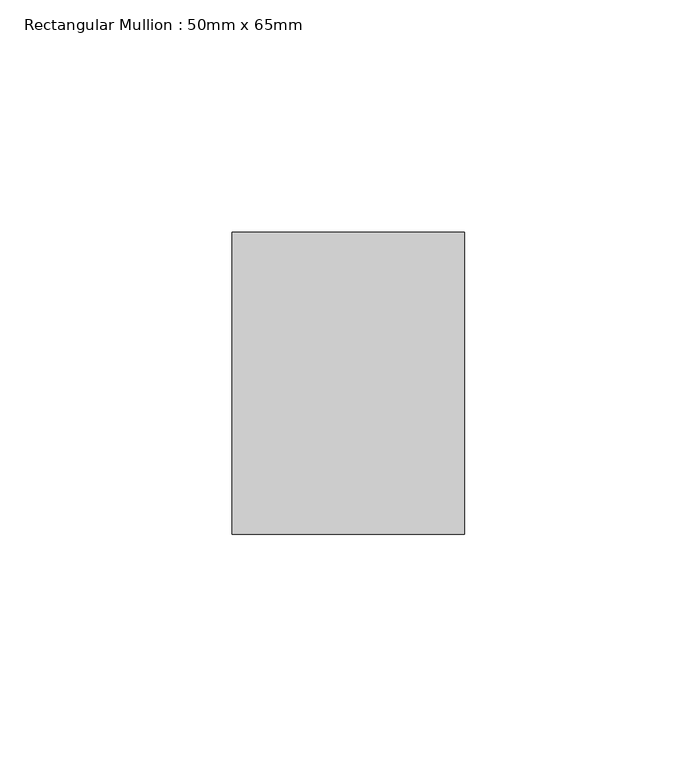
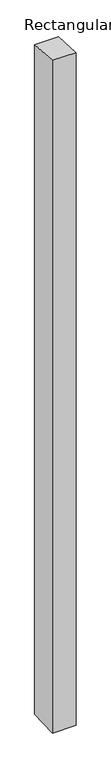
"""IFC4 building model written with IfcOpenShell, lengths in millimetres: member geometry, Rectangular Mullion : 50mm x 65mm."""

import ifcopenshell
import ifcopenshell.guid

model = None  # the IFC model being written
_history = None  # IfcOwnerHistory: only IFC2X3 demands one
_inside = {}  # id of a spatial element -> (the spatial element, [elements in it])
_under = {}  # id of a project, library or spatial element -> (it, [spatial elements below it])
_declared = {}  # id of a project -> (the project, [libraries it declares])
_typed = {}  # id of a type object -> (the type object, [elements of that type])
_made_of = {}  # id of a material, layer set ... -> (it, [elements and type objects made of it])


def new_model(schema):
    """Start an empty IFC model of exactly this schema.

    Asked for "IFC4X3", IfcOpenShell would pick the latest addendum, in which some entities
    have other attributes; the version numbers below select the first issue.
    IFC2X3 requires an IfcOwnerHistory on every rooted entity: one is made here for all.
    """
    global model, _history
    if schema == "IFC4X3":
        model = ifcopenshell.file(schema_version=(4, 3, 0, 0))
    else:
        model = ifcopenshell.file(schema=schema)
    _inside.clear()
    _under.clear()
    _declared.clear()
    _typed.clear()
    _made_of.clear()
    _history = None
    if model.schema == "IFC2X3":
        org = make("IfcOrganization", Name="unknown")
        user = make(
            "IfcPersonAndOrganization",
            ThePerson=make("IfcPerson", FamilyName="unknown"),
            TheOrganization=org,
        )
        app = make(
            "IfcApplication",
            ApplicationDeveloper=org,
            Version="unknown",
            ApplicationFullName="unknown",
            ApplicationIdentifier="unknown",
        )
        _history = make(
            "IfcOwnerHistory",
            OwningUser=user,
            OwningApplication=app,
            ChangeAction="ADDED",
            CreationDate=0,
        )
    return model


def make(cls, **values):
    """One entity of the class cls with the attributes given. An attribute that is None is left unset."""
    return model.create_entity(
        cls, **{name: value for name, value in values.items() if value is not None}
    )


def rooted(cls, **values):
    """An entity with a GlobalId (a new one), such as an element, a storey or a relation."""
    return make(cls, GlobalId=ifcopenshell.guid.new(), OwnerHistory=_history, **values)


def si_unit(unit_type, name, prefix=None):
    """IfcSIUnit, for example si_unit("LENGTHUNIT", "METRE", prefix="MILLI")."""
    return make("IfcSIUnit", UnitType=unit_type, Prefix=prefix, Name=name)


def assignment(units):
    """IfcUnitAssignment: the units of a project."""
    return None if units is None else make("IfcUnitAssignment", Units=units)


def point(xyz):
    """IfcCartesianPoint."""
    return None if xyz is None else make("IfcCartesianPoint", Coordinates=xyz)


def direction(xyz):
    """IfcDirection."""
    return None if xyz is None else make("IfcDirection", DirectionRatios=xyz)


def frame(location, z_axis=None, x_axis=None):
    """IfcAxis2Placement3D, a coordinate frame: its origin and axes. An axis left out is left unset."""
    return make(
        "IfcAxis2Placement3D",
        Location=point(location),
        Axis=direction(z_axis),
        RefDirection=direction(x_axis),
    )


def origin():
    """The frame at (0, 0, 0) with its axes left unset."""
    return frame((0.0, 0.0, 0.0))


def place(relative_to, where):
    """IfcLocalPlacement: puts the frame where relative to a parent placement (None: the world)."""
    return make(
        "IfcLocalPlacement", PlacementRelTo=relative_to, RelativePlacement=where
    )


def context(
    kind, dimensions, precision=None, world=None, true_north=None, identifier=None
):
    """IfcGeometricRepresentationContext, for example the 3D "Model" context."""
    return make(
        "IfcGeometricRepresentationContext",
        ContextIdentifier=identifier,
        ContextType=kind,
        CoordinateSpaceDimension=dimensions,
        Precision=precision,
        WorldCoordinateSystem=world,
        TrueNorth=true_north,
    )


def project(units=None, contexts=None):
    """IfcProject with its units and contexts."""
    return rooted(
        "IfcProject",
        Name="project",
        RepresentationContexts=contexts,
        UnitsInContext=assignment(units),
    )


def spatial(cls, under=None, at=None, **own):
    """A site, building, storey or space (cls), placed at a placement, below another one or the project."""
    s = rooted(cls, ObjectPlacement=at, **own)
    if under is not None:
        _under.setdefault(under.id(), (under, []))[1].append(s)
    return s


def polyline(points):
    """IfcPolyline through the points."""
    return make("IfcPolyline", Points=[point(p) for p in points])


def outline(outer, holes=None, kind="AREA"):
    """IfcArbitraryClosedProfileDef: a profile drawn as a closed curve; with holes, ...WithVoids."""
    if holes is None:
        return make("IfcArbitraryClosedProfileDef", ProfileType=kind, OuterCurve=outer)
    return make(
        "IfcArbitraryProfileDefWithVoids",
        ProfileType=kind,
        OuterCurve=outer,
        InnerCurves=holes,
    )


def extrude(swept, where, along, depth):
    """IfcExtrudedAreaSolid: the profile swept, set in the frame where, extruded along a direction by depth."""
    return make(
        "IfcExtrudedAreaSolid",
        SweptArea=swept,
        Position=where,
        ExtrudedDirection=direction(along),
        Depth=depth,
    )


def shape(context_of_items, identifier, shape_type, items):
    """IfcShapeRepresentation: the items that make up one representation, for example the "Body"."""
    return make(
        "IfcShapeRepresentation",
        ContextOfItems=context_of_items,
        RepresentationIdentifier=identifier,
        RepresentationType=shape_type,
        Items=items,
    )


def source(mapping_origin, context_of_items, identifier, shape_type, items):
    """IfcRepresentationMap: a shape defined once, which mapped items show again and again."""
    return make(
        "IfcRepresentationMap",
        MappingOrigin=mapping_origin,
        MappedRepresentation=shape(context_of_items, identifier, shape_type, items),
    )


def transform(
    local_origin,
    x_axis=None,
    y_axis=None,
    z_axis=None,
    scale=None,
    scale2=None,
    scale3=None,
    uniform=True,
):
    """IfcCartesianTransformationOperator3D, or its non-uniform kind. x_axis, y_axis, z_axis: its Axis1, 2, 3."""
    if uniform:
        return make(
            "IfcCartesianTransformationOperator3D",
            Axis1=direction(x_axis),
            Axis2=direction(y_axis),
            LocalOrigin=point(local_origin),
            Scale=scale,
            Axis3=direction(z_axis),
        )
    return make(
        "IfcCartesianTransformationOperator3DnonUniform",
        Axis1=direction(x_axis),
        Axis2=direction(y_axis),
        LocalOrigin=point(local_origin),
        Scale=scale,
        Axis3=direction(z_axis),
        Scale2=scale2,
        Scale3=scale3,
    )


def mapped(mapping_source, mapping_target):
    """IfcMappedItem: shows the shape of a source again, moved by a transform."""
    return make(
        "IfcMappedItem", MappingSource=mapping_source, MappingTarget=mapping_target
    )


def made_of(thing, what):
    """Note that an element or type object is made of a material, layer set ...; save() writes the relation."""
    if what is not None:
        _made_of.setdefault(what.id(), (what, []))[1].append(thing)
    return thing


def element(
    cls,
    number,
    at=None,
    inside=None,
    cuts=None,
    type_object=None,
    material=None,
    context=None,
    identifier="Body",
    shape_type=None,
    held_by="IfcProductDefinitionShape",
    body=None,
    shapes=None,
    **own,
):
    """One element of the class cls, such as IfcWall. Its Tag is "e" and its number.

    at: its placement. inside: the storey or other place that contains it. cuts: it is an
    opening in that element (IfcRelVoidsElement). A single representation is given by context,
    identifier, shape_type and body (its items); several are given by shapes. held_by: the class
    of the entity that holds the representations. save() writes the other relations.
    """
    e = rooted(cls, Tag="e%d" % number, ObjectPlacement=at, **own)
    if body is not None:
        shapes = [shape(context, identifier, shape_type, body)]
    if shapes is not None:
        e.Representation = make(held_by, Representations=shapes)
    if inside is not None:
        _inside.setdefault(inside.id(), (inside, []))[1].append(e)
    if cuts is not None:
        rooted(
            "IfcRelVoidsElement", RelatingBuildingElement=cuts, RelatedOpeningElement=e
        )
    if type_object is not None:
        _typed.setdefault(type_object.id(), (type_object, []))[1].append(e)
    return made_of(e, material)


def aggregate(whole, parts):
    """IfcRelAggregates: a whole, such as a stair, and the parts it consists of."""
    return rooted("IfcRelAggregates", RelatingObject=whole, RelatedObjects=parts)


def save(model, path):
    """Write the relations noted so far, then the file.

    IfcRelAggregates (storeys below a building ...), IfcRelContainedInSpatialStructure (elements
    in a storey), IfcRelDefinesByType, IfcRelAssociatesMaterial and IfcRelDeclares: one each for
    every whole, place, type object, material and project.
    """
    for whole, parts in _under.values():
        aggregate(whole, parts)
    for where, things in _inside.values():
        rooted(
            "IfcRelContainedInSpatialStructure",
            RelatedElements=things,
            RelatingStructure=where,
        )
    for kind, things in _typed.values():
        rooted("IfcRelDefinesByType", RelatedObjects=things, RelatingType=kind)
    for what, things in _made_of.values():
        rooted("IfcRelAssociatesMaterial", RelatedObjects=things, RelatingMaterial=what)
    for by, libraries in _declared.values():
        rooted("IfcRelDeclares", RelatingContext=by, RelatedDefinitions=libraries)
    model.write(path)


def rectangular_mullion_50mm_x_65mm_4857bec1(model_context):
    return source(origin(), model_context, "Body", "SweptSolid", [
        extrude(outline(polyline([(-32.5, 2.1659764), (32.5, -2.1659766), (32.5, -1498.7588306), (-32.5, -1501.2410125), (-32.5, 2.1659764)])), frame((-25.0, 0.0, 0.0), z_axis=(1.0, 0.0, 0.0), x_axis=(0.0, 1.0, 0.0)), (0.0, 0.0, 1.0), 50.0),
    ])


if __name__ == "__main__":
    model = new_model("IFC4")
    model_context = context("Model", 3, world=origin())
    ifc_project = project(units=[si_unit("LENGTHUNIT", "METRE", prefix="MILLI")], contexts=[model_context])
    site = spatial("IfcSite", under=ifc_project)
    building = spatial("IfcBuilding", under=site)
    placement = place(None, origin())
    rectangular_mullion_50mm_x_65mm_shape = rectangular_mullion_50mm_x_65mm_4857bec1(model_context)
    element("IfcMember", 1, ObjectType="Rectangular Mullion : 50mm x 65mm", at=placement, inside=building, context=model_context, shape_type="MappedRepresentation", body=[
        mapped(rectangular_mullion_50mm_x_65mm_shape, transform((0.0, 0.0, 0.0), x_axis=(1.0, 0.0, 0.0), y_axis=(0.0, 1.0, 0.0), z_axis=(0.0, 0.0, 1.0))),
    ])
    save(model, "model.ifc")
